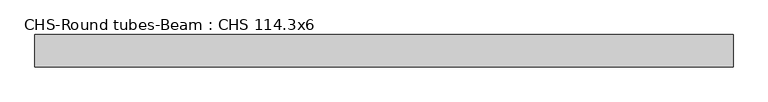
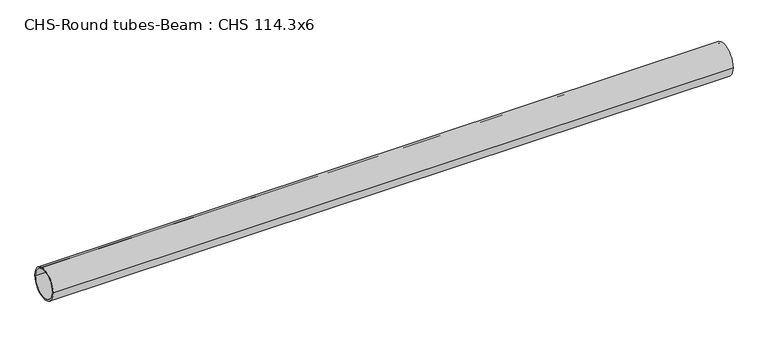
"""IFC4 building model written with IfcOpenShell, lengths in millimetres: beam geometry, CHS-Round tubes-Beam : CHS 114.3x6."""

from ifc_helpers import new_model, si_unit, point, frame, origin, origin_2d, place, context, project, spatial, circle_curve, trimmed, segment, composite_curve, outline, extrude, source, transform, mapped, element, save


def chs_round_tubes_beam_chs_114_3x6_2fde7f06(model_context):
    return source(origin(), model_context, "Body", "SweptSolid", [
        extrude(outline(composite_curve([segment(trimmed(circle_curve(origin_2d(), 57.15), [point((57.15, 0.0))], [point((-57.15, 0.0))], False, "CARTESIAN"), True, "CONTINUOUS"), segment(trimmed(circle_curve(origin_2d(), 57.15), [point((-57.15, 0.0))], [point((57.15, 0.0))], False, "CARTESIAN"), True, "CONTINUOUS")], self_intersect=False), holes=[composite_curve([segment(trimmed(circle_curve(origin_2d(), 51.15), [point((51.15, 0.0))], [point((-51.15, 0.0))], True, "CARTESIAN"), True, "CONTINUOUS"), segment(trimmed(circle_curve(origin_2d(), 51.15), [point((-51.15, 0.0))], [point((51.15, 0.0))], True, "CARTESIAN"), True, "CONTINUOUS")], self_intersect=False)]), frame((-1191.0738704, 0.0, 0.0), z_axis=(1.0, 0.0, 0.0), x_axis=(0.0, 1.0, 0.0)), (0.0, 0.0, 1.0), 2476.9059588),
    ])


if __name__ == "__main__":
    model = new_model("IFC4")
    model_context = context("Model", 3, world=origin())
    ifc_project = project(units=[si_unit("LENGTHUNIT", "METRE", prefix="MILLI")], contexts=[model_context])
    site = spatial("IfcSite", under=ifc_project)
    building = spatial("IfcBuilding", under=site)
    placement = place(None, origin())
    chs_round_tubes_beam_chs_114_3x6_shape = chs_round_tubes_beam_chs_114_3x6_2fde7f06(model_context)
    element("IfcBeam", 1, ObjectType="CHS-Round tubes-Beam : CHS 114.3x6", at=placement, inside=building, context=model_context, shape_type="MappedRepresentation", body=[
        mapped(chs_round_tubes_beam_chs_114_3x6_shape, transform((0.0, 0.0, 0.0), x_axis=(1.0, 0.0, 0.0), y_axis=(0.0, 1.0, 0.0), z_axis=(0.0, 0.0, 1.0))),
    ])
    save(model, "model.ifc")
